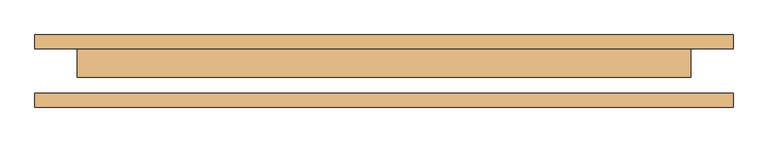
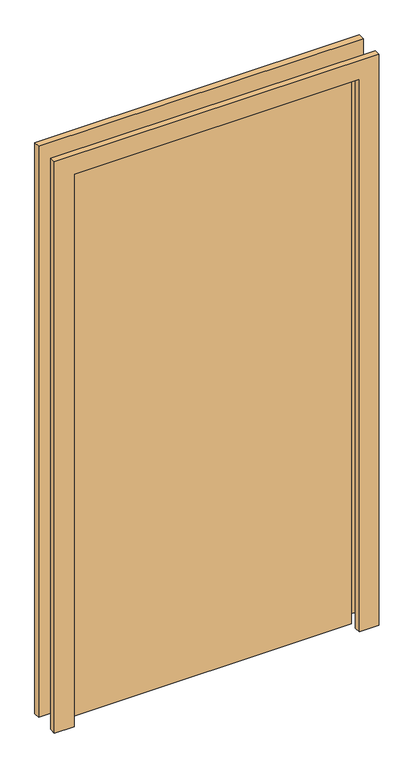
"""IFC4 building model written with IfcOpenShell, lengths in millimetres: door geometry."""

from ifc_helpers import new_model, si_unit, frame, origin, origin_with_axes, place, context, project, spatial, polyline, outline, extrude, source, transform, mapped, element, save


def door_f38321b5(model_context):
    return source(origin(), model_context, "Body", "SweptSolid", [
        extrude(outline(polyline([(2326.0, -626.0), (0.0, -626.0), (0.0, -550.0), (2250.0, -550.0), (2250.0, 550.0), (0.0, 550.0), (0.0, 626.0), (2326.0, 626.0), (2326.0, -626.0)])), frame((0.0, 40.0, 0.0), z_axis=(0.0, 1.0, 0.0), x_axis=(0.0, 0.0, 1.0)), (0.0, 0.0, 1.0), 25.0),
        extrude(outline(polyline([(2326.0, 626.0), (2326.0, -626.0), (0.0, -626.0), (0.0, -550.0), (2250.0, -550.0), (2250.0, 550.0), (0.0, 550.0), (0.0, 626.0), (2326.0, 626.0)])), frame((0.0, -65.0, 0.0), z_axis=(0.0, 1.0, 0.0), x_axis=(0.0, 0.0, 1.0)), (0.0, 0.0, 1.0), 25.0),
        extrude(outline(polyline([(550.0, -11.0), (-550.0, -11.0), (-550.0, 40.0), (550.0, 40.0), (550.0, -11.0)])), origin_with_axes(), (0.0, 0.0, 1.0), 2250.0),
    ])


if __name__ == "__main__":
    model = new_model("IFC4")
    model_context = context("Model", 3, world=origin())
    ifc_project = project(units=[si_unit("LENGTHUNIT", "METRE", prefix="MILLI")], contexts=[model_context])
    site = spatial("IfcSite", under=ifc_project)
    building = spatial("IfcBuilding", under=site)
    placement = place(None, origin())
    door_shape = door_f38321b5(model_context)
    element("IfcDoor", 1, at=placement, inside=building, context=model_context, shape_type="MappedRepresentation", body=[
        mapped(door_shape, transform((0.0, 0.0, 0.0), x_axis=(1.0, 0.0, 0.0), y_axis=(0.0, 1.0, 0.0), z_axis=(0.0, 0.0, 1.0))),
    ])
    save(model, "model.ifc")
